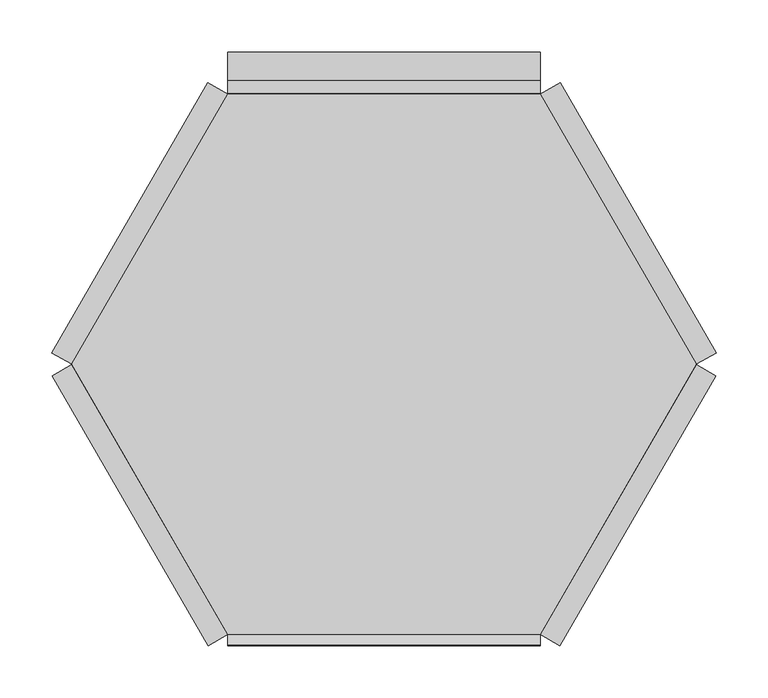
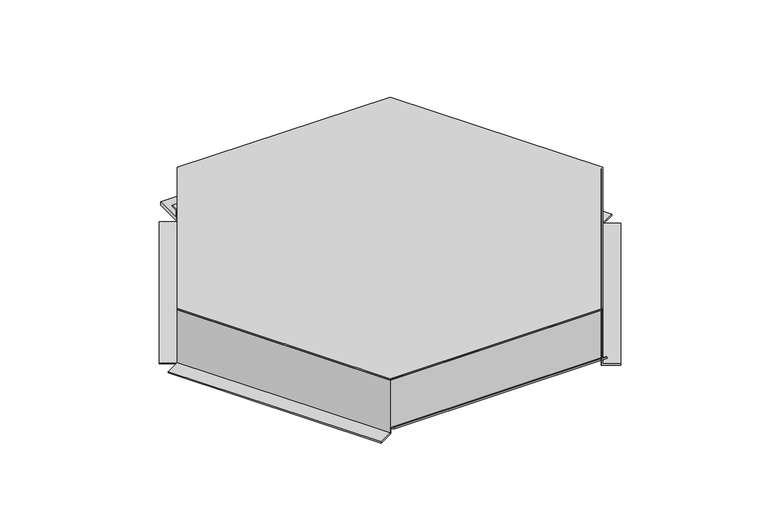
"""IFC4 building model written with IfcOpenShell, lengths in millimetres: proxy geometry."""

from ifc_helpers import new_model, si_unit, frame, origin, place, context, project, spatial, polyline, outline, extrude, source, transform, mapped, element, save


def generic_models_0771f55b(model_context):
    return source(origin(), model_context, "Body", "SweptSolid", [
        extrude(outline(polyline([(-78.8, 0.0), (0.0, 0.0), (0.0, 22.0), (2.0, 22.0), (2.0, 0.0), (2.0, -2.0), (-78.8, -2.0), (-78.8, 0.0)])), frame((-150.111605, -259.8080841, 4.2), z_axis=(-0.49999732699885757, 0.8660269470368677, 0.0), x_axis=(0.0, 0.0, -1.0)), (0.0, 0.0, 1.0), 300.0),
        extrude(outline(polyline([(-78.8, 0.0), (0.0, 0.0), (0.0, 22.0), (2.0, 22.0), (2.0, 0.0), (2.0, -2.0), (-78.8, -2.0), (-78.8, 0.0)])), frame((-300.221605, 0.1863561, 4.2), z_axis=(0.49999732699885974, 0.8660269470368664, 0.0), x_axis=(0.0, 0.0, -1.0)), (0.0, 0.0, 1.0), 300.0),
        extrude(outline(polyline([(0.0, 0.0), (2.0, 0.0), (2.0, -83.0), (0.0, -83.0), (-22.0, -83.0), (-22.0, -81.0), (0.0, -81.0), (0.0, 0.0)])), frame((150.111605, -259.8080841, 83.0), z_axis=(0.49999732699886035, 0.8660269470368661, 0.0), x_axis=(-0.8660269470368661, 0.49999732699886035, 0.0)), (0.0, 0.0, 1.0), 300.0),
        extrude(outline(polyline([(0.0, 0.0), (2.0, 0.0), (2.0, -83.0), (0.0, -83.0), (-22.0, -83.0), (-22.0, -81.0), (0.0, -81.0), (0.0, 0.0)])), frame((300.221605, 0.1863561, 83.0), z_axis=(-0.49999732699885696, 0.866026947036868, 0.0), x_axis=(-0.866026947036868, -0.49999732699885696, 0.0)), (0.0, 0.0, 1.0), 300.0),
        extrude(outline(polyline([(258.189136, 83.0), (260.189136, 83.0), (260.189136, 6.0), (298.689136, 6.0), (298.689136, 7.0), (261.189136, 7.0), (261.189136, 21.1), (272.989136, 21.1), (272.989136, 19.1), (263.189136, 19.1), (263.189136, 9.0), (300.689136, 9.0), (300.689136, 4.0), (258.189136, 4.0), (258.189136, 83.0)])), frame((-150.11, 0.0, 0.0), z_axis=(1.0, 0.0, 0.0), x_axis=(0.0, 1.0, 0.0)), (0.0, 0.0, 1.0), 300.22),
        extrude(outline(polyline([(-259.810864, 12.1635024), (-259.810864, 83.0), (-257.810864, 83.0), (-257.810864, 9.6), (-259.6368101, 9.6), (-270.8069793, 17.4221074), (-269.6597604, 19.0603652), (-259.810864, 12.1635024)])), frame((-150.11, 0.0, 0.0), z_axis=(1.0, 0.0, 0.0), x_axis=(0.0, 1.0, 0.0)), (0.0, 0.0, 1.0), 300.22),
        extrude(outline(polyline([(-150.11, 260.189136), (150.11, 260.189136), (300.22, 0.189136), (150.11, -259.810864), (-150.11, -259.810864), (-300.22, 0.189136), (-150.11, 260.189136)])), frame((0.0, 0.0, 83.0), z_axis=(0.0, 0.0, 1.0), x_axis=(1.0, 0.0, 0.0)), (0.0, 0.0, 1.0), 2.0),
    ])


if __name__ == "__main__":
    model = new_model("IFC4")
    model_context = context("Model", 3, world=origin())
    ifc_project = project(units=[si_unit("LENGTHUNIT", "METRE", prefix="MILLI")], contexts=[model_context])
    site = spatial("IfcSite", under=ifc_project)
    building = spatial("IfcBuilding", under=site)
    placement = place(None, origin())
    generic_models_shape = generic_models_0771f55b(model_context)
    element("IfcBuildingElementProxy", 1, Name="Generic Models", at=placement, inside=building, context=model_context, shape_type="MappedRepresentation", body=[
        mapped(generic_models_shape, transform((0.0, 0.0, 0.0), x_axis=(1.0, 0.0, 0.0), y_axis=(0.0, 1.0, 0.0), z_axis=(0.0, 0.0, 1.0))),
    ])
    save(model, "model.ifc")
